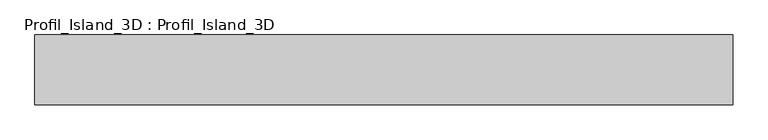
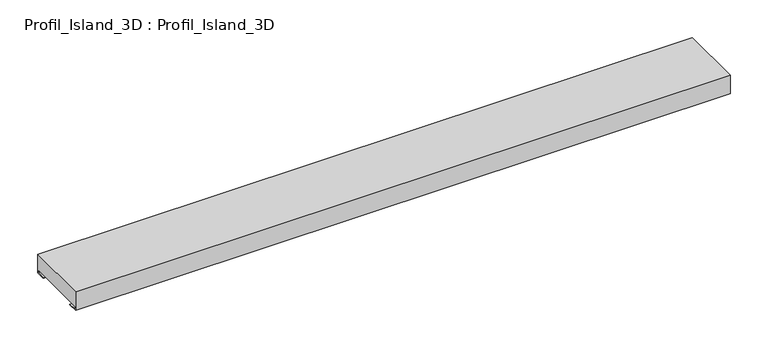
"""IFC4 building model written with IfcOpenShell, lengths in millimetres: proxy geometry, Profil_Island_3D : Profil_Island_3D."""

from ifc_helpers import new_model, si_unit, origin, place, context, project, spatial, faceted_brep, source, transform, mapped, element, save


def profil_island_3d_profil_island_3d_77276686(model_context):
    return source(origin(), model_context, "Body", "Brep", [
        faceted_brep([(0.0, -50.0, 0.0), (0.0, 50.0, 0.0), (0.0, 50.0, -30.0), (0.0, 35.0, -30.0), (0.0, 35.0, -29.2), (0.0, 49.2, -29.2), (0.0, 49.2, -25.0), (0.0, -49.2, -25.0), (0.0, -49.2, -29.2), (0.0, -35.0, -29.2), (0.0, -35.0, -30.0), (0.0, -50.0, -30.0), (1000.0, 50.0, 0.0), (1000.0, -50.0, 0.0), (1000.0, -50.0, -30.0), (1000.0, -35.0, -30.0), (1000.0, -35.0, -29.2), (1000.0, -49.2, -29.2), (1000.0, -49.2, -25.0), (1000.0, 49.2, -25.0), (1000.0, 49.2, -29.2), (1000.0, 35.0, -29.2), (1000.0, 35.0, -30.0), (1000.0, 50.0, -30.0), (0.8, -49.2, -25.0), (0.8, -49.2, -0.8), (999.2, -49.2, -0.8), (999.2, -49.2, -25.0), (0.8, 49.2, -0.8), (999.2, 49.2, -0.8), (999.2, 49.2, -25.0), (0.8, 49.2, -25.0)], [[[0, 1, 2, 3, 4, 5, 6, 7, 8, 9, 10, 11]], [[12, 13, 14, 15, 16, 17, 18, 19, 20, 21, 22, 23]], [[1, 0, 13, 12]], [[11, 14, 13, 0]], [[10, 15, 14, 11]], [[9, 16, 15, 10]], [[8, 17, 16, 9]], [[8, 7, 24, 25, 26, 27, 18, 17]], [[28, 29, 26, 25]], [[20, 19, 30, 29, 28, 31, 6, 5]], [[4, 21, 20, 5]], [[3, 22, 21, 4]], [[2, 23, 22, 3]], [[1, 12, 23, 2]], [[6, 31, 24, 7]], [[31, 28, 25, 24]], [[30, 19, 18, 27]], [[27, 26, 29, 30]]]),
    ])


if __name__ == "__main__":
    model = new_model("IFC4")
    model_context = context("Model", 3, world=origin())
    ifc_project = project(units=[si_unit("LENGTHUNIT", "METRE", prefix="MILLI")], contexts=[model_context])
    site = spatial("IfcSite", under=ifc_project)
    building = spatial("IfcBuilding", under=site)
    placement = place(None, origin())
    profil_island_3d_profil_island_3d_shape = profil_island_3d_profil_island_3d_77276686(model_context)
    element("IfcBuildingElementProxy", 1, Name="Profil_Island_3D : Profil_Island_3D", ObjectType="Profil_Island_3D : Profil_Island_3D", at=placement, inside=building, context=model_context, shape_type="MappedRepresentation", body=[
        mapped(profil_island_3d_profil_island_3d_shape, transform((0.0, 0.0, 0.0), x_axis=(1.0, 0.0, 0.0), y_axis=(0.0, 1.0, 0.0), z_axis=(0.0, 0.0, 1.0))),
    ])
    save(model, "model.ifc")
